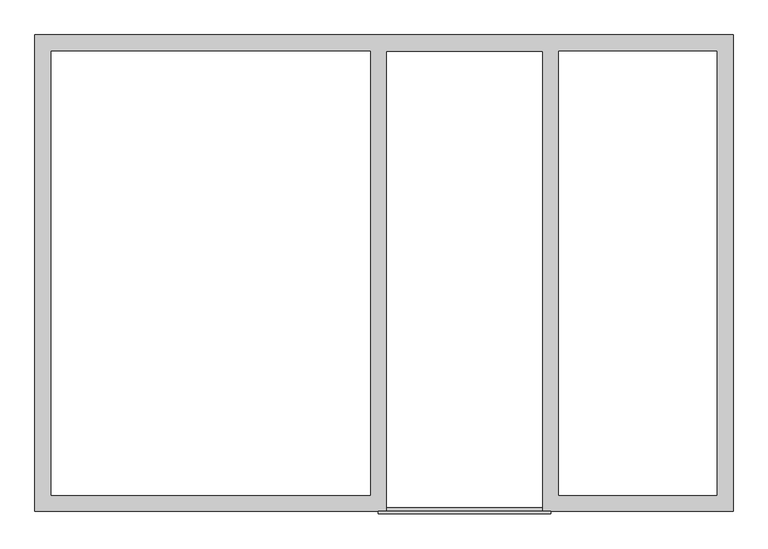
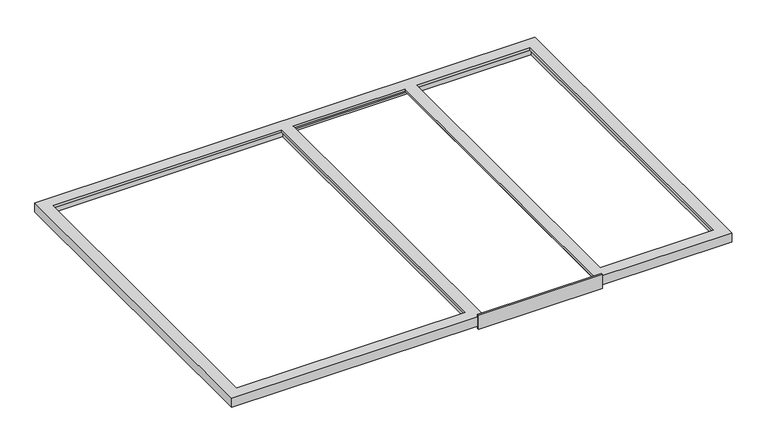
"""IFC4 building model written with IfcOpenShell, lengths in millimetres: proxy geometry."""

from ifc_helpers import new_model, si_unit, frame, origin, place, context, project, spatial, polyline, outline, extrude, faceted_brep, source, transform, mapped, element, save


def generic_models_13d5de07(model_context):
    return source(origin(), model_context, "Body", "SolidModel", [
        extrude(outline(polyline([(-12.0, -86.0), (-12.0, 19.0), (0.0, 19.0), (0.0, -12.0), (18.0, -12.0), (18.0, -37.0), (0.0, -37.0), (0.0, -86.0), (-12.0, -86.0)])), frame((1756.0, 0.0, 0.0), z_axis=(1.0, 0.0, 0.0), x_axis=(0.0, 1.0, 0.0)), (0.0, 0.0, 1.0), 883.0),
        faceted_brep([(0.0, 0.0, 0.0), (0.0, 0.0, -68.0), (1762.5, 0.0, -68.0), (1762.5, 0.0, -37.0), (1782.5, 0.0, -37.0), (1782.5, 0.0, -16.0), (1797.5, 0.0, -16.0), (1797.5, 0.0, 0.0), (0.0, 2436.4, -68.0), (0.0, 2436.4, 0.0), (3571.0, 2436.4, 0.0), (3571.0, 2436.4, -68.0), (3571.0, 0.0, -68.0), (2632.5, 0.0, -68.0), (2632.5, 2388.4, -68.0), (1762.5, 2388.4, -68.0), (65.0, 65.0, -68.0), (1732.5, 65.0, -68.0), (1732.5, 2371.4, -68.0), (65.0, 2371.4, -68.0), (2662.5, 2371.4, -68.0), (2662.5, 65.0, -68.0), (3506.0, 65.0, -68.0), (3506.0, 2371.4, -68.0), (65.0, 65.0, -16.0), (65.0, 2371.4, -16.0), (1732.5, 65.0, -16.0), (1732.5, 2371.4, -16.0), (83.0, 83.0, -16.0), (1714.5, 83.0, -16.0), (1714.5, 2353.4, -16.0), (83.0, 2353.4, -16.0), (83.0, 83.0, 0.0), (83.0, 2353.4, 0.0), (1797.5, 2353.4, 0.0), (2597.5, 2353.4, 0.0), (2597.5, 0.0, 0.0), (3571.0, 0.0, 0.0), (1714.5, 83.0, 0.0), (1714.5, 2353.4, 0.0), (3488.0, 2353.4, 0.0), (3488.0, 83.0, 0.0), (2680.5, 83.0, 0.0), (2680.5, 2353.4, 0.0), (1762.5, 2388.4, -37.0), (1782.5, 2368.4, -37.0), (1782.5, 2368.4, -16.0), (2632.5, 2388.4, -37.0), (2632.5, 0.0, -37.0), (2612.5, 0.0, -37.0), (2612.5, 2368.4, -37.0), (1797.5, 2353.4, -16.0), (2612.5, 2368.4, -16.0), (2612.5, 0.0, -16.0), (2597.5, 0.0, -16.0), (2597.5, 2353.4, -16.0), (2662.5, 2371.4, -16.0), (2662.5, 65.0, -16.0), (3506.0, 2371.4, -16.0), (3506.0, 65.0, -16.0), (3488.0, 2353.4, -16.0), (2680.5, 2353.4, -16.0), (2680.5, 83.0, -16.0), (3488.0, 83.0, -16.0)], [[[0, 1, 2, 3, 4, 5, 6, 7]], [[8, 9, 10, 11]], [[2, 1, 8, 11, 12, 13, 14, 15], [16, 17, 18, 19], [20, 21, 22, 23]], [[24, 16, 19, 25]], [[26, 24, 25, 27], [28, 29, 30, 31]], [[32, 28, 31, 33]], [[0, 7, 34, 35, 36, 37, 10, 9], [38, 32, 33, 39], [40, 41, 42, 43]], [[1, 0, 9, 8]], [[17, 26, 27, 18]], [[29, 38, 39, 30]], [[3, 2, 15, 44]], [[17, 16, 24, 26]], [[29, 28, 32, 38]], [[5, 4, 45, 46]], [[4, 3, 44, 47, 48, 49, 50, 45]], [[39, 33, 31, 30]], [[19, 18, 27, 25]], [[7, 6, 51, 34]], [[6, 5, 46, 52, 53, 54, 55, 51]], [[34, 51, 55, 35]], [[46, 45, 50, 52]], [[37, 36, 54, 53, 49, 48, 13, 12]], [[20, 56, 57, 21]], [[56, 58, 59, 57], [60, 61, 62, 63]], [[61, 43, 42, 62]], [[13, 48, 47, 14]], [[54, 36, 35, 55]], [[12, 11, 10, 37]], [[43, 61, 60, 40]], [[56, 20, 23, 58]], [[59, 58, 23, 22]], [[40, 60, 63, 41]], [[22, 21, 57, 59]], [[42, 41, 63, 62]], [[49, 53, 52, 50]], [[44, 15, 14, 47]]]),
    ])


if __name__ == "__main__":
    model = new_model("IFC4")
    model_context = context("Model", 3, world=origin())
    ifc_project = project(units=[si_unit("LENGTHUNIT", "METRE", prefix="MILLI")], contexts=[model_context])
    site = spatial("IfcSite", under=ifc_project)
    building = spatial("IfcBuilding", under=site)
    placement = place(None, origin())
    generic_models_shape = generic_models_13d5de07(model_context)
    element("IfcBuildingElementProxy", 1, Name="Generic Models", at=placement, inside=building, context=model_context, shape_type="MappedRepresentation", body=[
        mapped(generic_models_shape, transform((0.0, 0.0, 0.0), x_axis=(1.0, 0.0, 0.0), y_axis=(0.0, 1.0, 0.0), z_axis=(0.0, 0.0, 1.0))),
    ])
    save(model, "model.ifc")
